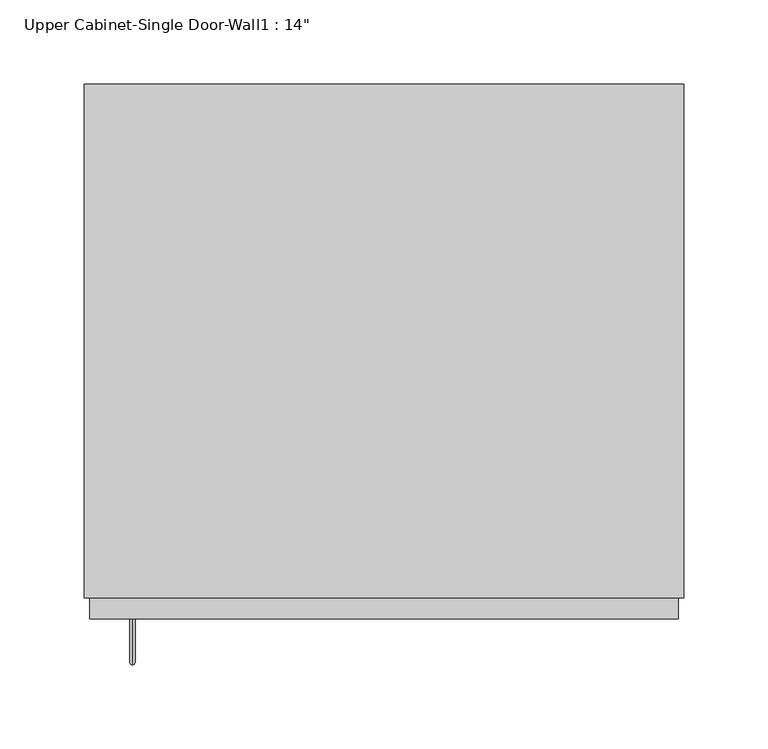
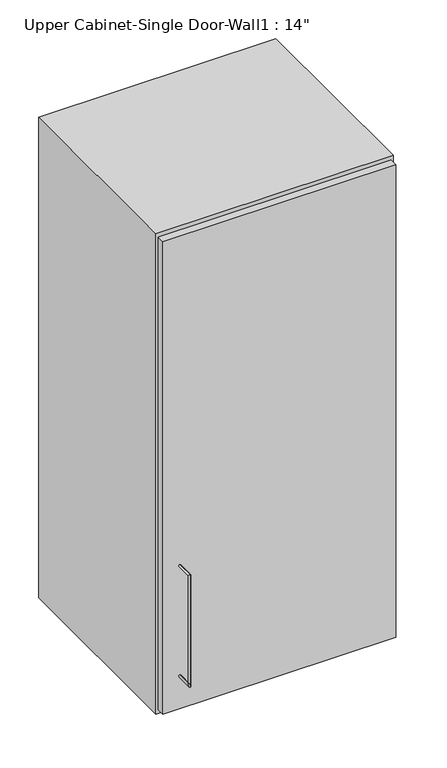
"""IFC4 building model written with IfcOpenShell, lengths in millimetres: furniture geometry."""

from ifc_helpers import new_model, si_unit, frame, origin, place, context, project, spatial, polyline, circle_curve, ellipse_curve, outline, extrude, faceted_brep, source, transform, mapped, element, save
from ifc_brep_helpers import plane_surface, cylinder_surface, advanced_brep


def furniture_d51714fb(model_context):
    return source(origin(), model_context, "Body", "SolidModel", [
        advanced_brep(
        [(-119.4538372, -379.4125, 1431.925), (-119.4538372, -379.4125, 1428.75), (-119.4538372, -406.4, 1428.75), (-119.4538372, -403.225, 1431.925), (-119.4538372, -406.4, 1606.55), (-119.4538372, -403.225, 1603.375), (-119.4538372, -379.4125, 1603.375), (-119.4538372, -379.4125, 1606.55)],
        [
            (0, 1, circle_curve(frame((-119.4538372, -379.4125, 1430.3375), z_axis=(0.0, 1.0, 0.0), x_axis=(0.0, 0.0, -1.0)), 1.5875)),
            (1, 0, circle_curve(frame((-119.4538372, -379.4125, 1430.3375), z_axis=(0.0, 1.0, 0.0), x_axis=(0.0, 0.0, -1.0)), 1.5875)),
            (1, 2),
            (2, 3, ellipse_curve(frame((-119.4538372, -404.8125, 1430.3375), z_axis=(0.0, 0.7071067811865498, -0.7071067811865454), x_axis=(0.0, 0.7071067811865451, 0.7071067811865498)), 2.245064, 1.5875)),
            (3, 0),
            (3, 2, ellipse_curve(frame((-119.4538372, -404.8125, 1430.3375), z_axis=(0.0, 0.7071067811865498, -0.7071067811865454), x_axis=(0.0, 0.7071067811865451, 0.7071067811865498)), 2.245064, 1.5875)),
            (2, 4),
            (4, 5, ellipse_curve(frame((-119.4538372, -404.8125, 1604.9625), z_axis=(0.0, -0.7071067811865452, -0.7071067811865497), x_axis=(0.0, 0.7071067811865496, -0.7071067811865455)), 2.245064, 1.5875)),
            (5, 3),
            (5, 4, ellipse_curve(frame((-119.4538372, -404.8125, 1604.9625), z_axis=(0.0, -0.7071067811865452, -0.7071067811865497), x_axis=(0.0, 0.7071067811865496, -0.7071067811865455)), 2.245064, 1.5875)),
            (6, 7, circle_curve(frame((-119.4538372, -379.4125, 1604.9625), z_axis=(0.0, 1.0, 0.0), x_axis=(0.0, 0.0, 1.0)), 1.5875)),
            (7, 6, circle_curve(frame((-119.4538372, -379.4125, 1604.9625), z_axis=(0.0, 1.0, 0.0), x_axis=(0.0, 0.0, 1.0)), 1.5875)),
            (4, 7),
            (6, 5),
        ],
        [
            plane_surface(frame((-119.4538372, -379.4125, 1430.3375), z_axis=(0.0, 1.0, 0.0), x_axis=(-1.0, 0.0, 0.0))),
            cylinder_surface(frame((-119.4538372, -379.4125, 1430.3375), z_axis=(0.0, 1.0, 0.0), x_axis=(0.0, 0.0, -1.0)), 1.5875),
            cylinder_surface(frame((-119.4538372, -404.8125, 1430.3375), z_axis=(0.0, 0.0, -1.0), x_axis=(0.0, -1.0, 0.0)), 1.5875),
            plane_surface(frame((-119.4538372, -379.4125, 1604.9625), z_axis=(0.0, 1.0, 0.0), x_axis=(-1.0, 0.0, 0.0))),
            cylinder_surface(frame((-119.4538372, -404.8125, 1604.9625), z_axis=(0.0, -1.0, 0.0), x_axis=(0.0, 0.0, 1.0)), 1.5875),
        ],
        [
            (0, [[1, 2]]),
            (1, [[3, 4, 5, -2]]),
            (1, [[-5, 6, -3, -1]]),
            (2, [[7, 8, 9, -4]]),
            (2, [[-9, 10, -7, -6]]),
            (3, [[11, 12]]),
            (4, [[13, -11, 14, -8]]),
            (4, [[-14, -12, -13, -10]]),
        ],
    ),
        faceted_brep([(-148.0288372, -61.9125, 2133.6), (207.5711628, -61.9125, 2133.6), (207.5711628, -61.9125, 1371.6), (-148.0288372, -61.9125, 1371.6), (-148.0288372, -366.7125, 2133.6), (-148.0288372, -366.7125, 1371.6), (207.5711628, -366.7125, 1371.6), (207.5711628, -366.7125, 2133.6), (-128.9788372, -366.7125, 2114.55), (188.5211628, -366.7125, 2114.55), (188.5211628, -366.7125, 1390.65), (-128.9788372, -366.7125, 1390.65), (-128.9788372, -80.9625, 2114.55), (188.5211628, -80.9625, 2114.55), (188.5211628, -80.9625, 1390.65), (-128.9788372, -80.9625, 1390.65)], [[[0, 1, 2, 3]], [[4, 5, 6, 7], [8, 9, 10, 11]], [[3, 5, 4, 0]], [[2, 6, 5, 3]], [[1, 7, 6, 2]], [[0, 4, 7, 1]], [[8, 12, 13, 9]], [[9, 13, 14, 10]], [[10, 14, 15, 11]], [[11, 15, 12, 8]], [[12, 15, 14, 13]]]),
        extrude(outline(polyline([(-144.8538372, -379.4125), (-144.8538372, -347.6625), (204.3961628, -347.6625), (204.3961628, -379.4125), (-144.8538372, -379.4125)])), frame((0.0, 0.0, 1377.95), z_axis=(0.0, 0.0, 1.0), x_axis=(1.0, 0.0, 0.0)), (0.0, 0.0, 1.0), 749.3),
    ])


if __name__ == "__main__":
    model = new_model("IFC4")
    model_context = context("Model", 3, world=origin())
    ifc_project = project(units=[si_unit("LENGTHUNIT", "METRE", prefix="MILLI")], contexts=[model_context])
    site = spatial("IfcSite", under=ifc_project)
    building = spatial("IfcBuilding", under=site)
    placement = place(None, origin())
    furniture_shape = furniture_d51714fb(model_context)
    element("IfcFurniture", 1, ObjectType="Upper Cabinet-Single Door-Wall1 : 14\"", at=placement, inside=building, context=model_context, shape_type="MappedRepresentation", body=[
        mapped(furniture_shape, transform((0.0, 0.0, 0.0), x_axis=(1.0, 0.0, 0.0), y_axis=(0.0, 1.0, 0.0), z_axis=(0.0, 0.0, 1.0))),
    ])
    save(model, "model.ifc")
